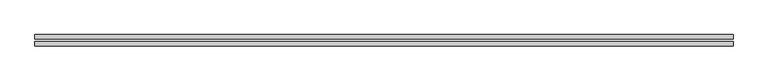
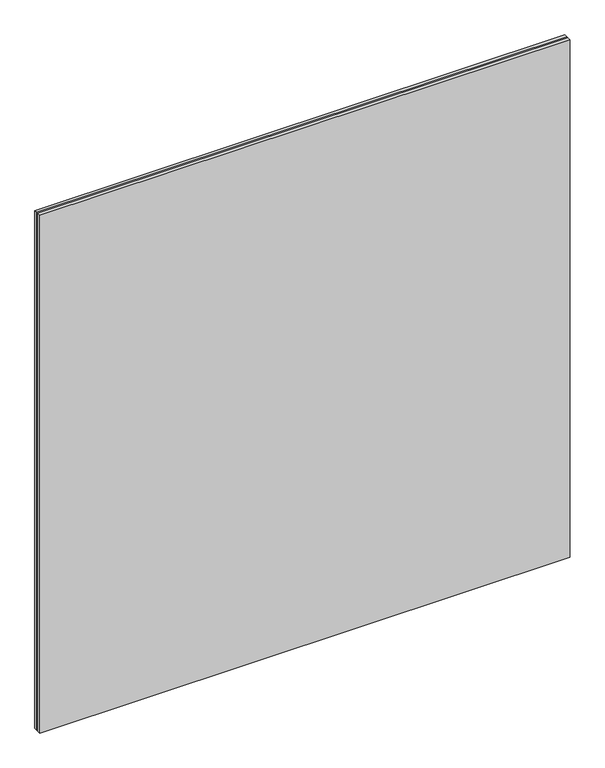
"""IFC4 building model written with IfcOpenShell, lengths in millimetres: plate geometry."""

from ifc_helpers import new_model, si_unit, origin, origin_with_axes, place, context, project, spatial, polyline, outline, extrude, source, transform, mapped, element, save


def plate_f8691d8b(model_context):
    return source(origin(), model_context, "Body", "SweptSolid", [
        extrude(outline(polyline([(625.0, -2.0), (625.0, -10.0), (-625.0, -10.0), (-625.0, -2.0), (625.0, -2.0)])), origin_with_axes(), (0.0, 0.0, 1.0), 1290.0),
        extrude(outline(polyline([(625.0, 2.0), (-625.0, 2.0), (-625.0, 10.0), (625.0, 10.0), (625.0, 2.0)])), origin_with_axes(), (0.0, 0.0, 1.0), 1290.0),
    ])


if __name__ == "__main__":
    model = new_model("IFC4")
    model_context = context("Model", 3, world=origin())
    ifc_project = project(units=[si_unit("LENGTHUNIT", "METRE", prefix="MILLI")], contexts=[model_context])
    site = spatial("IfcSite", under=ifc_project)
    building = spatial("IfcBuilding", under=site)
    placement = place(None, origin())
    plate_shape = plate_f8691d8b(model_context)
    element("IfcPlate", 1, at=placement, inside=building, context=model_context, shape_type="MappedRepresentation", body=[
        mapped(plate_shape, transform((0.0, 0.0, 0.0), x_axis=(1.0, 0.0, 0.0), y_axis=(0.0, 1.0, 0.0), z_axis=(0.0, 0.0, 1.0))),
    ])
    save(model, "model.ifc")
